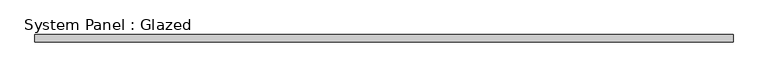
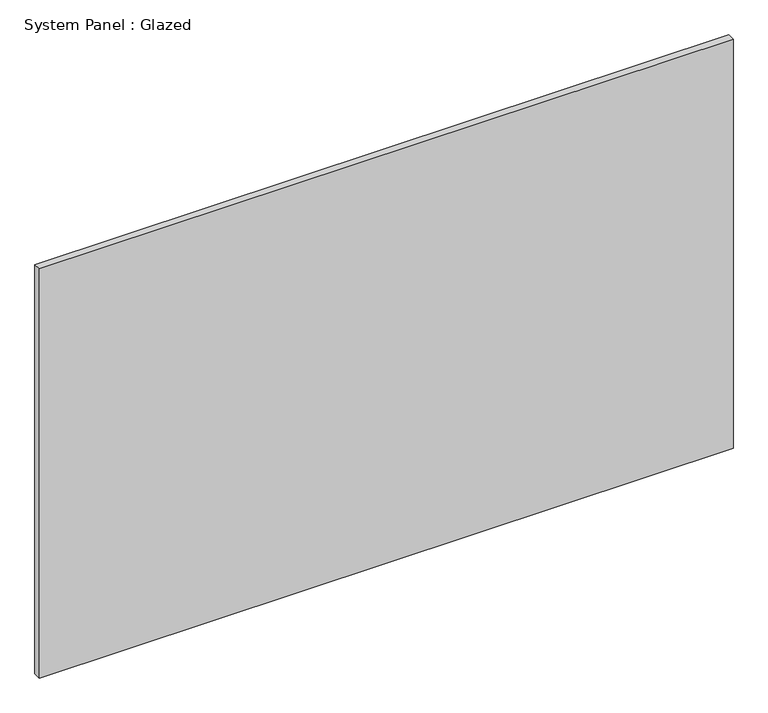
"""IFC4 building model written with IfcOpenShell, lengths in millimetres: plate geometry, System Panel : Glazed."""

import ifcopenshell
import ifcopenshell.guid

model = None  # the IFC model being written
_history = None  # IfcOwnerHistory: only IFC2X3 demands one
_inside = {}  # id of a spatial element -> (the spatial element, [elements in it])
_under = {}  # id of a project, library or spatial element -> (it, [spatial elements below it])
_declared = {}  # id of a project -> (the project, [libraries it declares])
_typed = {}  # id of a type object -> (the type object, [elements of that type])
_made_of = {}  # id of a material, layer set ... -> (it, [elements and type objects made of it])


def new_model(schema):
    """Start an empty IFC model of exactly this schema.

    Asked for "IFC4X3", IfcOpenShell would pick the latest addendum, in which some entities
    have other attributes; the version numbers below select the first issue.
    IFC2X3 requires an IfcOwnerHistory on every rooted entity: one is made here for all.
    """
    global model, _history
    if schema == "IFC4X3":
        model = ifcopenshell.file(schema_version=(4, 3, 0, 0))
    else:
        model = ifcopenshell.file(schema=schema)
    _inside.clear()
    _under.clear()
    _declared.clear()
    _typed.clear()
    _made_of.clear()
    _history = None
    if model.schema == "IFC2X3":
        org = make("IfcOrganization", Name="unknown")
        user = make(
            "IfcPersonAndOrganization",
            ThePerson=make("IfcPerson", FamilyName="unknown"),
            TheOrganization=org,
        )
        app = make(
            "IfcApplication",
            ApplicationDeveloper=org,
            Version="unknown",
            ApplicationFullName="unknown",
            ApplicationIdentifier="unknown",
        )
        _history = make(
            "IfcOwnerHistory",
            OwningUser=user,
            OwningApplication=app,
            ChangeAction="ADDED",
            CreationDate=0,
        )
    return model


def make(cls, **values):
    """One entity of the class cls with the attributes given. An attribute that is None is left unset."""
    return model.create_entity(
        cls, **{name: value for name, value in values.items() if value is not None}
    )


def rooted(cls, **values):
    """An entity with a GlobalId (a new one), such as an element, a storey or a relation."""
    return make(cls, GlobalId=ifcopenshell.guid.new(), OwnerHistory=_history, **values)


def si_unit(unit_type, name, prefix=None):
    """IfcSIUnit, for example si_unit("LENGTHUNIT", "METRE", prefix="MILLI")."""
    return make("IfcSIUnit", UnitType=unit_type, Prefix=prefix, Name=name)


def assignment(units):
    """IfcUnitAssignment: the units of a project."""
    return None if units is None else make("IfcUnitAssignment", Units=units)


def point(xyz):
    """IfcCartesianPoint."""
    return None if xyz is None else make("IfcCartesianPoint", Coordinates=xyz)


def direction(xyz):
    """IfcDirection."""
    return None if xyz is None else make("IfcDirection", DirectionRatios=xyz)


def frame(location, z_axis=None, x_axis=None):
    """IfcAxis2Placement3D, a coordinate frame: its origin and axes. An axis left out is left unset."""
    return make(
        "IfcAxis2Placement3D",
        Location=point(location),
        Axis=direction(z_axis),
        RefDirection=direction(x_axis),
    )


def origin():
    """The frame at (0, 0, 0) with its axes left unset."""
    return frame((0.0, 0.0, 0.0))


def origin_with_axes():
    """The frame at (0, 0, 0) with the z axis (0, 0, 1) and the x axis (1, 0, 0) written out."""
    return frame((0.0, 0.0, 0.0), z_axis=(0.0, 0.0, 1.0), x_axis=(1.0, 0.0, 0.0))


def place(relative_to, where):
    """IfcLocalPlacement: puts the frame where relative to a parent placement (None: the world)."""
    return make(
        "IfcLocalPlacement", PlacementRelTo=relative_to, RelativePlacement=where
    )


def context(
    kind, dimensions, precision=None, world=None, true_north=None, identifier=None
):
    """IfcGeometricRepresentationContext, for example the 3D "Model" context."""
    return make(
        "IfcGeometricRepresentationContext",
        ContextIdentifier=identifier,
        ContextType=kind,
        CoordinateSpaceDimension=dimensions,
        Precision=precision,
        WorldCoordinateSystem=world,
        TrueNorth=true_north,
    )


def project(units=None, contexts=None):
    """IfcProject with its units and contexts."""
    return rooted(
        "IfcProject",
        Name="project",
        RepresentationContexts=contexts,
        UnitsInContext=assignment(units),
    )


def spatial(cls, under=None, at=None, **own):
    """A site, building, storey or space (cls), placed at a placement, below another one or the project."""
    s = rooted(cls, ObjectPlacement=at, **own)
    if under is not None:
        _under.setdefault(under.id(), (under, []))[1].append(s)
    return s


def polyline(points):
    """IfcPolyline through the points."""
    return make("IfcPolyline", Points=[point(p) for p in points])


def outline(outer, holes=None, kind="AREA"):
    """IfcArbitraryClosedProfileDef: a profile drawn as a closed curve; with holes, ...WithVoids."""
    if holes is None:
        return make("IfcArbitraryClosedProfileDef", ProfileType=kind, OuterCurve=outer)
    return make(
        "IfcArbitraryProfileDefWithVoids",
        ProfileType=kind,
        OuterCurve=outer,
        InnerCurves=holes,
    )


def extrude(swept, where, along, depth):
    """IfcExtrudedAreaSolid: the profile swept, set in the frame where, extruded along a direction by depth."""
    return make(
        "IfcExtrudedAreaSolid",
        SweptArea=swept,
        Position=where,
        ExtrudedDirection=direction(along),
        Depth=depth,
    )


def shape(context_of_items, identifier, shape_type, items):
    """IfcShapeRepresentation: the items that make up one representation, for example the "Body"."""
    return make(
        "IfcShapeRepresentation",
        ContextOfItems=context_of_items,
        RepresentationIdentifier=identifier,
        RepresentationType=shape_type,
        Items=items,
    )


def source(mapping_origin, context_of_items, identifier, shape_type, items):
    """IfcRepresentationMap: a shape defined once, which mapped items show again and again."""
    return make(
        "IfcRepresentationMap",
        MappingOrigin=mapping_origin,
        MappedRepresentation=shape(context_of_items, identifier, shape_type, items),
    )


def transform(
    local_origin,
    x_axis=None,
    y_axis=None,
    z_axis=None,
    scale=None,
    scale2=None,
    scale3=None,
    uniform=True,
):
    """IfcCartesianTransformationOperator3D, or its non-uniform kind. x_axis, y_axis, z_axis: its Axis1, 2, 3."""
    if uniform:
        return make(
            "IfcCartesianTransformationOperator3D",
            Axis1=direction(x_axis),
            Axis2=direction(y_axis),
            LocalOrigin=point(local_origin),
            Scale=scale,
            Axis3=direction(z_axis),
        )
    return make(
        "IfcCartesianTransformationOperator3DnonUniform",
        Axis1=direction(x_axis),
        Axis2=direction(y_axis),
        LocalOrigin=point(local_origin),
        Scale=scale,
        Axis3=direction(z_axis),
        Scale2=scale2,
        Scale3=scale3,
    )


def mapped(mapping_source, mapping_target):
    """IfcMappedItem: shows the shape of a source again, moved by a transform."""
    return make(
        "IfcMappedItem", MappingSource=mapping_source, MappingTarget=mapping_target
    )


def made_of(thing, what):
    """Note that an element or type object is made of a material, layer set ...; save() writes the relation."""
    if what is not None:
        _made_of.setdefault(what.id(), (what, []))[1].append(thing)
    return thing


def element(
    cls,
    number,
    at=None,
    inside=None,
    cuts=None,
    type_object=None,
    material=None,
    context=None,
    identifier="Body",
    shape_type=None,
    held_by="IfcProductDefinitionShape",
    body=None,
    shapes=None,
    **own,
):
    """One element of the class cls, such as IfcWall. Its Tag is "e" and its number.

    at: its placement. inside: the storey or other place that contains it. cuts: it is an
    opening in that element (IfcRelVoidsElement). A single representation is given by context,
    identifier, shape_type and body (its items); several are given by shapes. held_by: the class
    of the entity that holds the representations. save() writes the other relations.
    """
    e = rooted(cls, Tag="e%d" % number, ObjectPlacement=at, **own)
    if body is not None:
        shapes = [shape(context, identifier, shape_type, body)]
    if shapes is not None:
        e.Representation = make(held_by, Representations=shapes)
    if inside is not None:
        _inside.setdefault(inside.id(), (inside, []))[1].append(e)
    if cuts is not None:
        rooted(
            "IfcRelVoidsElement", RelatingBuildingElement=cuts, RelatedOpeningElement=e
        )
    if type_object is not None:
        _typed.setdefault(type_object.id(), (type_object, []))[1].append(e)
    return made_of(e, material)


def aggregate(whole, parts):
    """IfcRelAggregates: a whole, such as a stair, and the parts it consists of."""
    return rooted("IfcRelAggregates", RelatingObject=whole, RelatedObjects=parts)


def save(model, path):
    """Write the relations noted so far, then the file.

    IfcRelAggregates (storeys below a building ...), IfcRelContainedInSpatialStructure (elements
    in a storey), IfcRelDefinesByType, IfcRelAssociatesMaterial and IfcRelDeclares: one each for
    every whole, place, type object, material and project.
    """
    for whole, parts in _under.values():
        aggregate(whole, parts)
    for where, things in _inside.values():
        rooted(
            "IfcRelContainedInSpatialStructure",
            RelatedElements=things,
            RelatingStructure=where,
        )
    for kind, things in _typed.values():
        rooted("IfcRelDefinesByType", RelatedObjects=things, RelatingType=kind)
    for what, things in _made_of.values():
        rooted("IfcRelAssociatesMaterial", RelatedObjects=things, RelatingMaterial=what)
    for by, libraries in _declared.values():
        rooted("IfcRelDeclares", RelatingContext=by, RelatedDefinitions=libraries)
    model.write(path)


def system_panel_glazed_22d9f8bf(model_context):
    return source(origin(), model_context, "Body", "SweptSolid", [
        extrude(outline(polyline([(1171.575, 19.05), (-1171.575, 19.05), (-1171.575, 44.45), (1171.575, 44.45), (1171.575, 19.05)])), origin_with_axes(), (0.0, 0.0, 1.0), 1460.5),
    ])


if __name__ == "__main__":
    model = new_model("IFC4")
    model_context = context("Model", 3, world=origin())
    ifc_project = project(units=[si_unit("LENGTHUNIT", "METRE", prefix="MILLI")], contexts=[model_context])
    site = spatial("IfcSite", under=ifc_project)
    building = spatial("IfcBuilding", under=site)
    placement = place(None, origin())
    system_panel_glazed_shape = system_panel_glazed_22d9f8bf(model_context)
    element("IfcPlate", 1, ObjectType="System Panel : Glazed", at=placement, inside=building, context=model_context, shape_type="MappedRepresentation", body=[
        mapped(system_panel_glazed_shape, transform((0.0, 0.0, 0.0), x_axis=(1.0, 0.0, 0.0), y_axis=(0.0, 1.0, 0.0), z_axis=(0.0, 0.0, 1.0))),
    ])
    save(model, "model.ifc")
